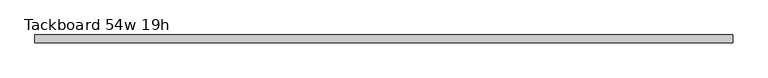
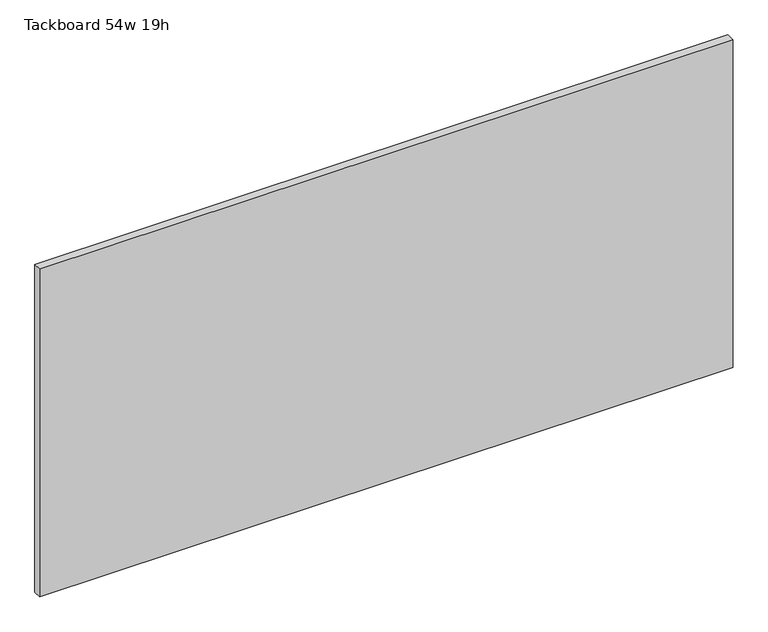
"""IFC4 building model written with IfcOpenShell, lengths in millimetres: furniture geometry, Tackboard 54w 19h."""

from ifc_helpers import new_model, si_unit, frame, origin, place, context, project, spatial, polyline, outline, extrude, source, transform, mapped, element, save


def tackboard_54w_19h_44e14406(model_context):
    return source(origin(), model_context, "Body", "SweptSolid", [
        extrude(outline(polyline([(688.2402902, -28.8968594), (-683.3597098, -28.8968594), (-683.3597098, -13.0218594), (688.2402902, -13.0218594), (688.2402902, -28.8968594)])), frame((0.0, 0.0, 1066.8), z_axis=(0.0, 0.0, 1.0), x_axis=(1.0, 0.0, 0.0)), (0.0, 0.0, 1.0), 685.8),
    ])


if __name__ == "__main__":
    model = new_model("IFC4")
    model_context = context("Model", 3, world=origin())
    ifc_project = project(units=[si_unit("LENGTHUNIT", "METRE", prefix="MILLI")], contexts=[model_context])
    site = spatial("IfcSite", under=ifc_project)
    building = spatial("IfcBuilding", under=site)
    placement = place(None, origin())
    tackboard_54w_19h_shape = tackboard_54w_19h_44e14406(model_context)
    element("IfcFurniture", 1, ObjectType="Tackboard 54w 19h", at=placement, inside=building, context=model_context, shape_type="MappedRepresentation", body=[
        mapped(tackboard_54w_19h_shape, transform((0.0, 0.0, 0.0), x_axis=(1.0, 0.0, 0.0), y_axis=(0.0, 1.0, 0.0), z_axis=(0.0, 0.0, 1.0))),
    ])
    save(model, "model.ifc")
